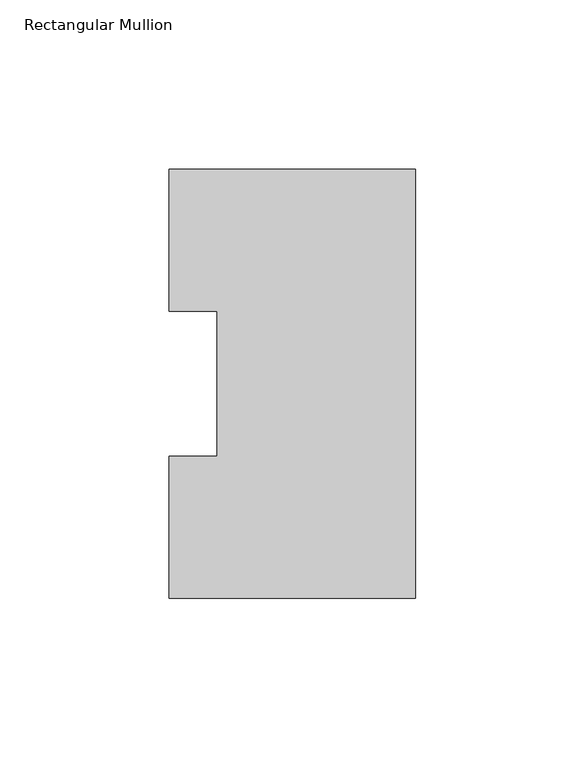
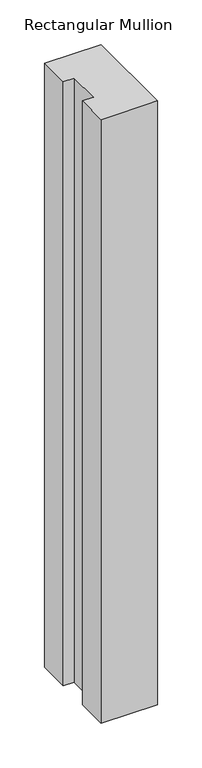
"""IFC4 building model written with IfcOpenShell, lengths in millimetres: member geometry, Rectangular Mullion."""

from ifc_helpers import new_model, si_unit, frame, origin, place, context, project, spatial, polyline, outline, extrude, source, transform, mapped, element, save


def rectangular_mullion_8609f6a9(model_context):
    return source(origin(), model_context, "Body", "SweptSolid", [
        extrude(outline(polyline([(-73.025, 127.00635), (0.0, 127.00635), (0.0, 0.00635), (-73.025, 0.00635), (-73.025, 42.08145), (-58.7375, 42.08145), (-58.7375, 84.93125), (-73.025, 84.93125), (-73.025, 127.00635)])), frame((0.0, 0.0, -825.5177772), z_axis=(0.0, 0.0, 1.0), x_axis=(1.0, 0.0, 0.0)), (0.0, 0.0, 1.0), 825.5177772),
    ])


if __name__ == "__main__":
    model = new_model("IFC4")
    model_context = context("Model", 3, world=origin())
    ifc_project = project(units=[si_unit("LENGTHUNIT", "METRE", prefix="MILLI")], contexts=[model_context])
    site = spatial("IfcSite", under=ifc_project)
    building = spatial("IfcBuilding", under=site)
    placement = place(None, origin())
    rectangular_mullion_shape = rectangular_mullion_8609f6a9(model_context)
    element("IfcMember", 1, ObjectType="Rectangular Mullion", at=placement, inside=building, context=model_context, shape_type="MappedRepresentation", body=[
        mapped(rectangular_mullion_shape, transform((0.0, 0.0, 0.0), x_axis=(1.0, 0.0, 0.0), y_axis=(0.0, 1.0, 0.0), z_axis=(0.0, 0.0, 1.0))),
    ])
    save(model, "model.ifc")
